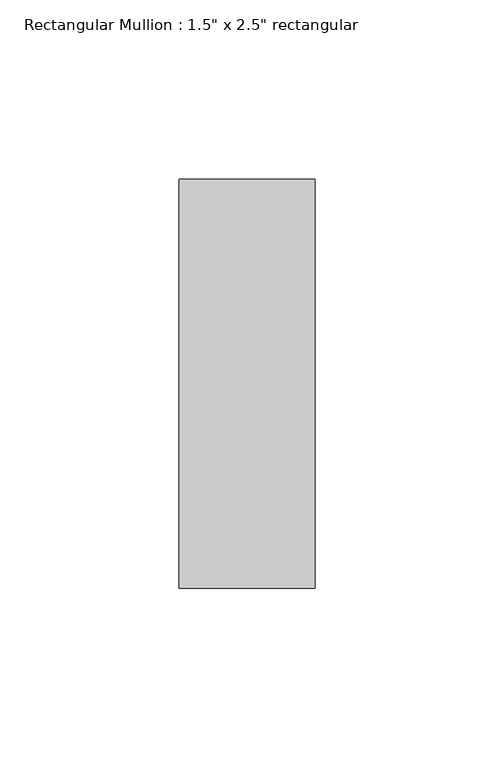
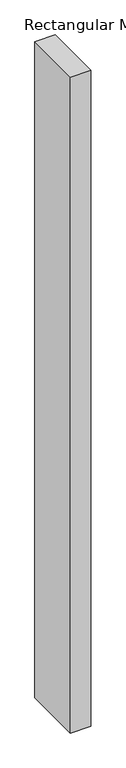
"""IFC4 building model written with IfcOpenShell, lengths in millimetres: member geometry."""

from ifc_helpers import new_model, si_unit, frame, origin, place, context, project, spatial, polyline, outline, extrude, source, transform, mapped, element, save


def member_9af06b07(model_context):
    return source(origin(), model_context, "Body", "SweptSolid", [
        extrude(outline(polyline([(19.05, 57.15), (19.05, -57.15), (-19.05, -57.15), (-19.05, 57.15), (19.05, 57.15)])), frame((0.0, 0.0, -1287.4625), z_axis=(0.0, 0.0, 1.0), x_axis=(1.0, 0.0, 0.0)), (0.0, 0.0, 1.0), 1287.4625),
    ])


if __name__ == "__main__":
    model = new_model("IFC4")
    model_context = context("Model", 3, world=origin())
    ifc_project = project(units=[si_unit("LENGTHUNIT", "METRE", prefix="MILLI")], contexts=[model_context])
    site = spatial("IfcSite", under=ifc_project)
    building = spatial("IfcBuilding", under=site)
    placement = place(None, origin())
    member_shape = member_9af06b07(model_context)
    element("IfcMember", 1, ObjectType="Rectangular Mullion : 1.5\" x 2.5\" rectangular", at=placement, inside=building, context=model_context, shape_type="MappedRepresentation", body=[
        mapped(member_shape, transform((0.0, 0.0, 0.0), x_axis=(1.0, 0.0, 0.0), y_axis=(0.0, 1.0, 0.0), z_axis=(0.0, 0.0, 1.0))),
    ])
    save(model, "model.ifc")
